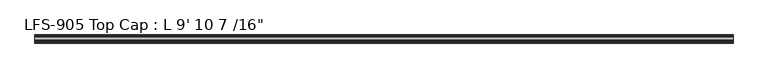
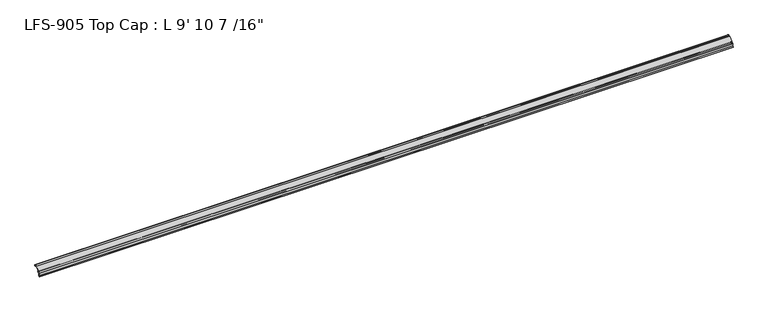
"""IFC4 building model written with IfcOpenShell, lengths in millimetres: proxy geometry."""

from ifc_helpers import new_model, si_unit, frame, origin, place, context, project, spatial, polyline, circle_curve, source, transform, mapped, element, save
from ifc_brep_helpers import plane_surface, cylinder_surface, revolved_surface, advanced_brep


def proxy_16a87fb3(model_context):
    return source(origin(), model_context, "Body", "AdvancedBrep", [
        advanced_brep(
        [(3008.3125, -11.9842063, -4.7908498), (3008.3125, -11.285332, -4.0919755), (3008.3125, -10.4181218, -4.4511858), (3008.3125, -10.0845373, -5.4848681), (3008.3125, -8.8306218, -4.8356596), (3008.3125, -8.8306218, -2.8545037), (3008.3125, -6.319747, -2.2238726), (3008.3125, -6.162328, -3.1153995), (3008.3125, -4.5467242, -3.078236), (3008.3125, -6.0988312, -0.2880269), (3008.3125, -6.2733116, 0.9200448), (3008.3125, 6.6291755, 13.822532), (3008.3125, 7.7517076, 14.2875), (3008.3125, 12.2396814, 14.2875), (3008.3125, 12.7331269, 13.6587708), (3008.3125, 15.9234901, 10.1995675), (3008.3125, 16.9994388, 10.5588377), (3008.3125, 16.7818575, 12.1019757), (3008.3125, 15.8731607, 11.8349932), (3008.3125, 15.5626213, 14.2875), (3008.3125, 16.7406298, 14.2875), (3008.3125, 16.7406298, 15.875), (3008.3125, 15.7631892, 15.875), (3008.3125, 6.4365795, 15.875), (3008.3125, -14.0366743, -4.5982538), (3008.3125, -14.0366743, -15.7272521), (3008.3125, -17.4717033, -19.1622811), (3008.3125, -16.3491713, -20.2848131), (3008.3125, -12.4491743, -16.3848161), (3008.3125, -12.4491743, -5.9133818), (0.0, -11.9842063, -4.7908498), (0.0, -12.4491743, -5.9133818), (0.0, -12.4491743, -16.3848161), (0.0, -16.3491713, -20.2848131), (0.0, -17.4717033, -19.1622811), (0.0, -14.0366743, -15.7272521), (0.0, -14.0366743, -4.5982538), (0.0, 6.4365795, 15.875), (0.0, 15.7631892, 15.875), (0.0, 16.7406298, 15.875), (0.0, 16.7406298, 14.2875), (0.0, 15.5626213, 14.2875), (0.0, 15.8760106, 11.8365279), (0.0, 16.7818575, 12.1019757), (0.0, 16.9994388, 10.5588377), (0.0, 15.9234901, 10.1995675), (0.0, 12.7331269, 13.6587708), (0.0, 12.2396814, 14.2875), (0.0, 7.7517076, 14.2875), (0.0, 6.6291755, 13.822532), (0.0, -6.2733116, 0.9200448), (0.0, -6.0988312, -0.2880269), (0.0, -4.5467242, -3.078236), (0.0, -6.162328, -3.1153995), (0.0, -6.319747, -2.2238726), (0.0, -8.8306218, -2.8545037), (0.0, -8.8306218, -4.8356596), (0.0, -10.0845373, -5.4848681), (0.0, -10.4181218, -4.4511858), (0.0, -11.285332, -4.0919755)],
        [
            (0, 1),
            (1, 2, circle_curve(frame((3008.3125, -10.9261218, -4.4511858), z_axis=(-1.0, 0.0, 0.0), x_axis=(0.0, -1.0, 0.0)), 0.508)),
            (2, 3, circle_curve(frame((3008.3125, -9.2294466, -4.6382503), z_axis=(1.0, 0.0, 0.0), x_axis=(0.0, -1.0, 0.0)), 1.2033045)),
            (3, 4, circle_curve(frame((3008.3125, -9.6256418, -4.8356596), z_axis=(1.0, 0.0, 0.0), x_axis=(0.0, -1.0, 0.0)), 0.79502)),
            (4, 5),
            (5, 6, circle_curve(frame((3008.3125, -7.4959898, -2.8545037), z_axis=(-1.0, 0.0, 0.0), x_axis=(0.0, -1.0, 0.0)), 1.334632)),
            (6, 7, circle_curve(frame((3008.3125, -8.5533469, -3.077926), z_axis=(-1.0, 0.0, 0.0), x_axis=(0.0, -1.0, 0.0)), 2.3913126)),
            (7, 8, circle_curve(frame((3008.3125, -5.3538072, -3.1280712), z_axis=(1.0, 0.0, 0.0), x_axis=(0.0, -1.0, 0.0)), 0.8086201)),
            (8, 9, circle_curve(frame((3008.3125, -7.5911223, -2.9449413), z_axis=(1.0, 0.0, 0.0), x_axis=(0.0, -1.0, 0.0)), 3.0473147)),
            (9, 10, circle_curve(frame((3008.3125, -5.7344963, 0.3812295), z_axis=(-1.0, 0.0, 0.0), x_axis=(0.0, -1.0, 0.0)), 0.762)),
            (10, 11),
            (11, 12, circle_curve(frame((3008.3125, 7.7517076, 12.7), z_axis=(-1.0, 0.0, 0.0), x_axis=(0.0, -1.0, 0.0)), 1.5875)),
            (12, 13),
            (13, 14, circle_curve(frame((3008.3125, 12.2396814, 13.7795), z_axis=(-1.0, 0.0, 0.0), x_axis=(0.0, -1.0, 0.0)), 0.508)),
            (14, 15, circle_curve(frame((3008.3125, 15.4040561, 12.9213125), z_axis=(1.0, 0.0, 0.0), x_axis=(0.0, -1.0, 0.0)), 2.7708676)),
            (15, 16, circle_curve(frame((3008.3125, 15.1258233, 14.3792045), z_axis=(1.0, 0.0, 0.0), x_axis=(0.0, -1.0, 0.0)), 4.255072)),
            (16, 17, circle_curve(frame((3008.3125, 16.7408521, 11.3092856), z_axis=(1.0, 0.0, 0.0), x_axis=(0.0, -1.0, 0.0)), 0.79375)),
            (17, 18, circle_curve(frame((3008.3125, 16.957198, 9.8252866), z_axis=(1.0, 0.0, 0.0), x_axis=(0.0, -1.0, 0.0)), 2.2834311)),
            (18, 19, circle_curve(frame((3008.3125, 15.4821011, 13.0316829), z_axis=(-1.0, 0.0, 0.0), x_axis=(0.0, -1.0, 0.0)), 1.2583959)),
            (19, 20),
            (20, 21, circle_curve(frame((3008.3125, 16.7406298, 15.08125), z_axis=(1.0, 0.0, 0.0), x_axis=(0.0, -1.0, 0.0)), 0.79375)),
            (21, 22),
            (22, 23),
            (23, 24),
            (24, 25),
            (25, 26),
            (26, 27),
            (27, 28),
            (28, 29),
            (29, 0, circle_curve(frame((3008.3125, -10.8616743, -5.9133818), z_axis=(-1.0, 0.0, 0.0), x_axis=(0.0, -1.0, 0.0)), 1.5875)),
            (30, 31, circle_curve(frame((0.0, -10.8616743, -5.9133818), z_axis=(1.0, 0.0, 0.0), x_axis=(0.0, -1.0, 0.0)), 1.5875)),
            (31, 32),
            (32, 33),
            (33, 34),
            (34, 35),
            (35, 36),
            (36, 37),
            (37, 38),
            (38, 39),
            (39, 40, circle_curve(frame((0.0, 16.7406298, 15.08125), z_axis=(-1.0, 0.0, 0.0), x_axis=(0.0, -1.0, 0.0)), 0.79375)),
            (40, 41),
            (41, 42, circle_curve(frame((0.0, 15.4821011, 13.0316829), z_axis=(1.0, 0.0, 0.0), x_axis=(0.0, -1.0, 0.0)), 1.2583959)),
            (42, 43, circle_curve(frame((0.0, 16.957198, 9.8252866), z_axis=(-1.0, 0.0, 0.0), x_axis=(0.0, -1.0, 0.0)), 2.2834311)),
            (43, 44, circle_curve(frame((0.0, 16.7408521, 11.3092856), z_axis=(-1.0, 0.0, 0.0), x_axis=(0.0, -1.0, 0.0)), 0.79375)),
            (44, 45, circle_curve(frame((0.0, 15.1258233, 14.3792045), z_axis=(-1.0, 0.0, 0.0), x_axis=(0.0, -1.0, 0.0)), 4.255072)),
            (45, 46, circle_curve(frame((0.0, 15.4040561, 12.9213125), z_axis=(-1.0, 0.0, 0.0), x_axis=(0.0, -1.0, 0.0)), 2.7708676)),
            (46, 47, circle_curve(frame((0.0, 12.2396814, 13.7795), z_axis=(1.0, 0.0, 0.0), x_axis=(0.0, -1.0, 0.0)), 0.508)),
            (47, 48),
            (48, 49, circle_curve(frame((0.0, 7.7517076, 12.7), z_axis=(1.0, 0.0, 0.0), x_axis=(0.0, -1.0, 0.0)), 1.5875)),
            (49, 50),
            (50, 51, circle_curve(frame((0.0, -5.7344963, 0.3812295), z_axis=(1.0, 0.0, 0.0), x_axis=(0.0, -1.0, 0.0)), 0.762)),
            (51, 52, circle_curve(frame((0.0, -7.5911223, -2.9449413), z_axis=(-1.0, 0.0, 0.0), x_axis=(0.0, -1.0, 0.0)), 3.0473147)),
            (52, 53, circle_curve(frame((0.0, -5.3538072, -3.1280712), z_axis=(-1.0, 0.0, 0.0), x_axis=(0.0, -1.0, 0.0)), 0.8086201)),
            (53, 54, circle_curve(frame((0.0, -8.5533469, -3.077926), z_axis=(1.0, 0.0, 0.0), x_axis=(0.0, -1.0, 0.0)), 2.3913126)),
            (54, 55, circle_curve(frame((0.0, -7.4959898, -2.8545037), z_axis=(1.0, 0.0, 0.0), x_axis=(0.0, -1.0, 0.0)), 1.334632)),
            (55, 56),
            (56, 57, circle_curve(frame((0.0, -9.6256418, -4.8356596), z_axis=(-1.0, 0.0, 0.0), x_axis=(0.0, -1.0, 0.0)), 0.79502)),
            (57, 58, circle_curve(frame((0.0, -9.2294466, -4.6382503), z_axis=(-1.0, 0.0, 0.0), x_axis=(0.0, -1.0, 0.0)), 1.2033045)),
            (58, 59, circle_curve(frame((0.0, -10.9261218, -4.4511858), z_axis=(1.0, 0.0, 0.0), x_axis=(0.0, -1.0, 0.0)), 0.508)),
            (59, 30),
            (0, 30),
            (59, 1),
            (58, 2),
            (57, 3),
            (56, 4),
            (55, 5),
            (54, 6),
            (53, 7),
            (52, 8),
            (51, 9),
            (50, 10),
            (49, 11),
            (48, 12),
            (47, 13),
            (46, 14),
            (45, 15),
            (44, 16),
            (43, 17),
            (42, 18),
            (41, 19),
            (40, 20),
            (39, 21),
            (38, 22),
            (37, 23),
            (36, 24),
            (35, 25),
            (34, 26),
            (33, 27),
            (32, 28),
            (31, 29),
        ],
        [
            plane_surface(frame((3008.3125, -11.9842063, -4.7908498), z_axis=(1.0000000000000002, 0.0, 0.0), x_axis=(0.0, 0.7071067811854889, 0.7071067811876063))),
            plane_surface(frame((0.0, -11.9842063, -4.7908498), z_axis=(-1.0000000000000002, 0.0, 0.0), x_axis=(0.0, -0.7071067811854889, -0.7071067811876063))),
            plane_surface(frame((3008.3125, -11.9842063, -4.7908498), z_axis=(0.0, 0.7071067811876063, -0.7071067811854889), x_axis=(-1.0, 0.0, 0.0))),
            revolved_surface(polyline([(0.0, -11.4341218, -4.4511858), (3008.3125, -11.4341218, -4.4511858)]), (0.0, -10.9261218, -4.4511858), (-1.0, 0.0, 0.0)),
            cylinder_surface(frame((0.0, -9.2294466, -4.6382503), z_axis=(1.0, 0.0, 0.0), x_axis=(0.0, -1.0, 0.0)), 1.2033045),
            cylinder_surface(frame((0.0, -9.6256418, -4.8356596), z_axis=(1.0, 0.0, 0.0), x_axis=(0.0, -1.0, 0.0)), 0.79502),
            plane_surface(frame((3008.3125, -8.8306218, -4.8356596), z_axis=(0.0, 1.0, 0.0), x_axis=(-1.0, 0.0, 0.0))),
            revolved_surface(polyline([(0.0, -8.8306218, -2.8545037), (3008.3125, -8.8306218, -2.8545037)]), (0.0, -7.4959898, -2.8545037), (-1.0, 0.0, 0.0)),
            revolved_surface(polyline([(0.0, -10.9446595, -3.077926), (3008.3125, -10.9446595, -3.077926)]), (0.0, -8.5533469, -3.077926), (-1.0, 0.0, 0.0)),
            cylinder_surface(frame((0.0, -5.3538072, -3.1280712), z_axis=(1.0, 0.0, 0.0), x_axis=(0.0, -1.0, 0.0)), 0.8086201),
            cylinder_surface(frame((0.0, -7.5911223, -2.9449413), z_axis=(1.0, 0.0, 0.0), x_axis=(0.0, -1.0, 0.0)), 3.0473147),
            revolved_surface(polyline([(0.0, -6.4964963000000004, 0.3812295), (3008.3125, -6.4964963000000004, 0.3812295)]), (0.0, -5.7344963, 0.3812295), (-1.0, 0.0, 0.0)),
            plane_surface(frame((3008.3125, -6.2733116, 0.9200448), z_axis=(0.0, 0.7071067811865339, -0.7071067811865612), x_axis=(-1.0, 0.0, 0.0))),
            revolved_surface(polyline([(0.0, 6.164207599999999, 12.7), (3008.3125, 6.164207599999999, 12.7)]), (0.0, 7.7517076, 12.7), (-1.0, 0.0, 0.0)),
            plane_surface(frame((3008.3125, 7.7517076, 14.2875), z_axis=(0.0, 0.0, -1.0), x_axis=(-1.0, 0.0, 0.0))),
            revolved_surface(polyline([(0.0, 11.7316814, 13.7795), (3008.3125, 11.7316814, 13.7795)]), (0.0, 12.2396814, 13.7795), (-1.0, 0.0, 0.0)),
            cylinder_surface(frame((0.0, 15.4040561, 12.9213125), z_axis=(1.0, 0.0, 0.0), x_axis=(0.0, -1.0, 0.0)), 2.7708676),
            cylinder_surface(frame((0.0, 15.1258233, 14.3792045), z_axis=(1.0, 0.0, 0.0), x_axis=(0.0, -1.0, 0.0)), 4.255072),
            cylinder_surface(frame((0.0, 16.7408521, 11.3092856), z_axis=(1.0, 0.0, 0.0), x_axis=(0.0, -1.0, 0.0)), 0.79375),
            cylinder_surface(frame((0.0, 16.957198, 9.8252866), z_axis=(1.0, 0.0, 0.0), x_axis=(0.0, -1.0, 0.0)), 2.2834311),
            revolved_surface(polyline([(0.0, 14.2237052, 13.0316829), (3008.3125, 14.2237052, 13.0316829)]), (0.0, 15.4821011, 13.0316829), (-1.0, 0.0, 0.0)),
            plane_surface(frame((3008.3125, 15.5626213, 14.2875), z_axis=(0.0, 0.0, -1.0), x_axis=(-1.0, 0.0, 0.0))),
            cylinder_surface(frame((0.0, 16.7406298, 15.08125), z_axis=(1.0, 0.0, 0.0), x_axis=(0.0, -1.0, 0.0)), 0.79375),
            plane_surface(frame((3008.3125, 16.7406298, 15.875), z_axis=(0.0, 0.0, 1.0), x_axis=(-1.0, 0.0, 0.0))),
            plane_surface(frame((3008.3125, 15.7631892, 15.875), z_axis=(0.0, 0.0, 1.0), x_axis=(-1.0, 0.0, 0.0))),
            plane_surface(frame((3008.3125, 6.4365795, 15.875), z_axis=(0.0, -0.7071067811865581, 0.7071067811865369), x_axis=(-1.0, 0.0, 0.0))),
            plane_surface(frame((3008.3125, -14.0366743, -4.5982538), z_axis=(0.0, -1.0, 0.0), x_axis=(-1.0, 0.0, 0.0))),
            plane_surface(frame((3008.3125, -14.0366743, -15.7272521), z_axis=(0.0, -0.7071067811866965, 0.7071067811863986), x_axis=(-1.0, 0.0, 0.0))),
            plane_surface(frame((3008.3125, -17.4717033, -19.1622811), z_axis=(0.0, -0.7071067811868007, -0.7071067811862944), x_axis=(-1.0, 0.0, 0.0))),
            plane_surface(frame((3008.3125, -16.3491713, -20.2848131), z_axis=(0.0, 0.7071067811865882, -0.7071067811865068), x_axis=(-1.0, 0.0, 0.0))),
            plane_surface(frame((3008.3125, -12.4491743, -16.3848161), z_axis=(0.0, 1.0, 0.0), x_axis=(-1.0, 0.0, 0.0))),
            revolved_surface(polyline([(0.0, -12.449174300000001, -5.9133818), (3008.3125, -12.449174300000001, -5.9133818)]), (0.0, -10.8616743, -5.9133818), (-1.0, 0.0, 0.0)),
        ],
        [
            (0, [[1, 2, 3, 4, 5, 6, 7, 8, 9, 10, 11, 12, 13, 14, 15, 16, 17, 18, 19, 20, 21, 22, 23, 24, 25, 26, 27, 28, 29, 30]]),
            (1, [[31, 32, 33, 34, 35, 36, 37, 38, 39, 40, 41, 42, 43, 44, 45, 46, 47, 48, 49, 50, 51, 52, 53, 54, 55, 56, 57, 58, 59, 60]]),
            (2, [[-1, 61, -60, 62]]),
            (3, [[-2, -62, -59, 63]]),
            (4, [[-3, -63, -58, 64]]),
            (5, [[-4, -64, -57, 65]]),
            (6, [[-5, -65, -56, 66]]),
            (7, [[-6, -66, -55, 67]]),
            (8, [[-7, -67, -54, 68]]),
            (9, [[-8, -68, -53, 69]]),
            (10, [[-9, -69, -52, 70]]),
            (11, [[-10, -70, -51, 71]]),
            (12, [[-11, -71, -50, 72]]),
            (13, [[-12, -72, -49, 73]]),
            (14, [[-13, -73, -48, 74]]),
            (15, [[-14, -74, -47, 75]]),
            (16, [[-15, -75, -46, 76]]),
            (17, [[-16, -76, -45, 77]]),
            (18, [[-17, -77, -44, 78]]),
            (19, [[-18, -78, -43, 79]]),
            (20, [[-19, -79, -42, 80]]),
            (21, [[-20, -80, -41, 81]]),
            (22, [[-21, -81, -40, 82]]),
            (23, [[-22, -82, -39, 83]]),
            (24, [[-23, -83, -38, 84]]),
            (25, [[-24, -84, -37, 85]]),
            (26, [[-25, -85, -36, 86]]),
            (27, [[-26, -86, -35, 87]]),
            (28, [[-27, -87, -34, 88]]),
            (29, [[-28, -88, -33, 89]]),
            (30, [[-29, -89, -32, 90]]),
            (31, [[-30, -90, -31, -61]]),
        ],
    ),
    ])


if __name__ == "__main__":
    model = new_model("IFC4")
    model_context = context("Model", 3, world=origin())
    ifc_project = project(units=[si_unit("LENGTHUNIT", "METRE", prefix="MILLI")], contexts=[model_context])
    site = spatial("IfcSite", under=ifc_project)
    building = spatial("IfcBuilding", under=site)
    placement = place(None, origin())
    proxy_shape = proxy_16a87fb3(model_context)
    element("IfcBuildingElementProxy", 1, Name="LFS-905 Top Cap : L 9' 10 7 /16\"", ObjectType="LFS-905 Top Cap : L 9' 10 7 /16\"", at=placement, inside=building, context=model_context, shape_type="MappedRepresentation", body=[
        mapped(proxy_shape, transform((0.0, 0.0, 0.0), x_axis=(1.0, 0.0, 0.0), y_axis=(0.0, 1.0, 0.0), z_axis=(0.0, 0.0, 1.0))),
    ])
    save(model, "model.ifc")
